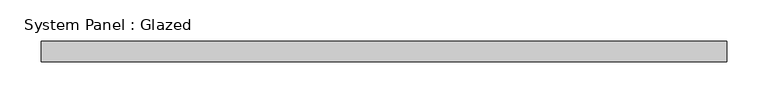
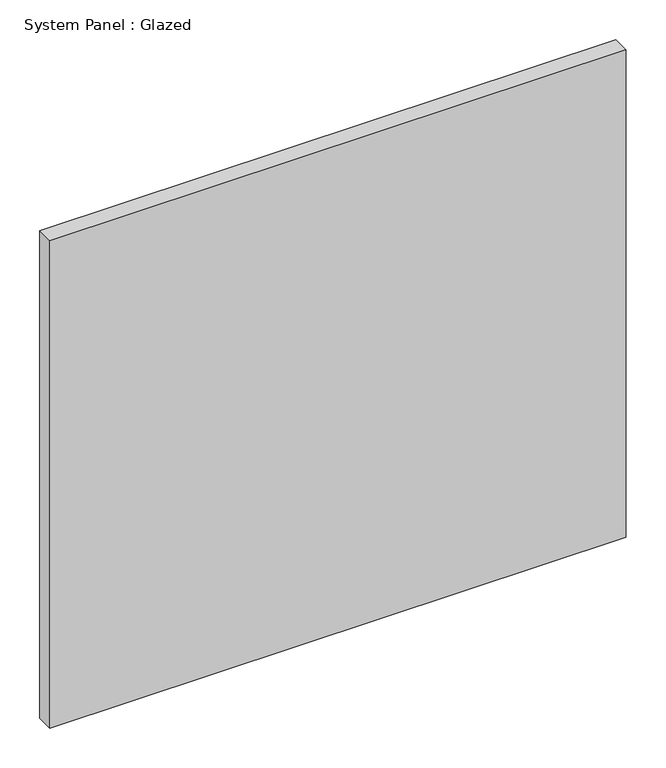
"""IFC4 building model written with IfcOpenShell, lengths in millimetres: plate geometry, System Panel : Glazed."""

from ifc_helpers import new_model, si_unit, origin, origin_with_axes, place, context, project, spatial, polyline, outline, extrude, source, transform, mapped, element, save


def system_panel_glazed_caec80f4(model_context):
    return source(origin(), model_context, "Body", "SweptSolid", [
        extrude(outline(polyline([(416.6666667, -49.5), (-416.6666667, -49.5), (-416.6666667, -24.5), (416.6666667, -24.5), (416.6666667, -49.5)])), origin_with_axes(), (0.0, 0.0, 1.0), 745.0),
    ])


if __name__ == "__main__":
    model = new_model("IFC4")
    model_context = context("Model", 3, world=origin())
    ifc_project = project(units=[si_unit("LENGTHUNIT", "METRE", prefix="MILLI")], contexts=[model_context])
    site = spatial("IfcSite", under=ifc_project)
    building = spatial("IfcBuilding", under=site)
    placement = place(None, origin())
    system_panel_glazed_shape = system_panel_glazed_caec80f4(model_context)
    element("IfcPlate", 1, ObjectType="System Panel : Glazed", at=placement, inside=building, context=model_context, shape_type="MappedRepresentation", body=[
        mapped(system_panel_glazed_shape, transform((0.0, 0.0, 0.0), x_axis=(1.0, 0.0, 0.0), y_axis=(0.0, 1.0, 0.0), z_axis=(0.0, 0.0, 1.0))),
    ])
    save(model, "model.ifc")
